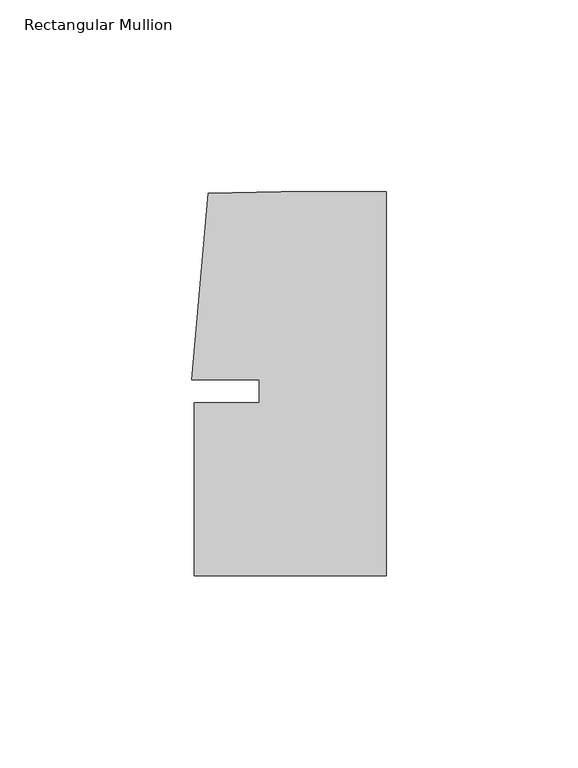
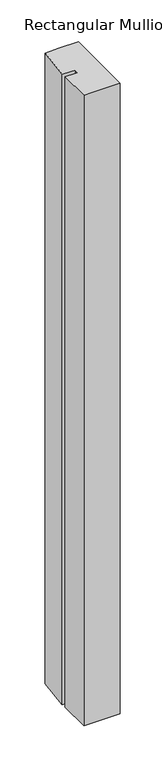
"""IFC4 building model written with IfcOpenShell, lengths in millimetres: member geometry, Rectangular Mullion."""

import ifcopenshell
import ifcopenshell.guid

model = None  # the IFC model being written
_history = None  # IfcOwnerHistory: only IFC2X3 demands one
_inside = {}  # id of a spatial element -> (the spatial element, [elements in it])
_under = {}  # id of a project, library or spatial element -> (it, [spatial elements below it])
_declared = {}  # id of a project -> (the project, [libraries it declares])
_typed = {}  # id of a type object -> (the type object, [elements of that type])
_made_of = {}  # id of a material, layer set ... -> (it, [elements and type objects made of it])


def new_model(schema):
    """Start an empty IFC model of exactly this schema.

    Asked for "IFC4X3", IfcOpenShell would pick the latest addendum, in which some entities
    have other attributes; the version numbers below select the first issue.
    IFC2X3 requires an IfcOwnerHistory on every rooted entity: one is made here for all.
    """
    global model, _history
    if schema == "IFC4X3":
        model = ifcopenshell.file(schema_version=(4, 3, 0, 0))
    else:
        model = ifcopenshell.file(schema=schema)
    _inside.clear()
    _under.clear()
    _declared.clear()
    _typed.clear()
    _made_of.clear()
    _history = None
    if model.schema == "IFC2X3":
        org = make("IfcOrganization", Name="unknown")
        user = make(
            "IfcPersonAndOrganization",
            ThePerson=make("IfcPerson", FamilyName="unknown"),
            TheOrganization=org,
        )
        app = make(
            "IfcApplication",
            ApplicationDeveloper=org,
            Version="unknown",
            ApplicationFullName="unknown",
            ApplicationIdentifier="unknown",
        )
        _history = make(
            "IfcOwnerHistory",
            OwningUser=user,
            OwningApplication=app,
            ChangeAction="ADDED",
            CreationDate=0,
        )
    return model


def make(cls, **values):
    """One entity of the class cls with the attributes given. An attribute that is None is left unset."""
    return model.create_entity(
        cls, **{name: value for name, value in values.items() if value is not None}
    )


def rooted(cls, **values):
    """An entity with a GlobalId (a new one), such as an element, a storey or a relation."""
    return make(cls, GlobalId=ifcopenshell.guid.new(), OwnerHistory=_history, **values)


def si_unit(unit_type, name, prefix=None):
    """IfcSIUnit, for example si_unit("LENGTHUNIT", "METRE", prefix="MILLI")."""
    return make("IfcSIUnit", UnitType=unit_type, Prefix=prefix, Name=name)


def assignment(units):
    """IfcUnitAssignment: the units of a project."""
    return None if units is None else make("IfcUnitAssignment", Units=units)


def point(xyz):
    """IfcCartesianPoint."""
    return None if xyz is None else make("IfcCartesianPoint", Coordinates=xyz)


def direction(xyz):
    """IfcDirection."""
    return None if xyz is None else make("IfcDirection", DirectionRatios=xyz)


def frame(location, z_axis=None, x_axis=None):
    """IfcAxis2Placement3D, a coordinate frame: its origin and axes. An axis left out is left unset."""
    return make(
        "IfcAxis2Placement3D",
        Location=point(location),
        Axis=direction(z_axis),
        RefDirection=direction(x_axis),
    )


def origin():
    """The frame at (0, 0, 0) with its axes left unset."""
    return frame((0.0, 0.0, 0.0))


def place(relative_to, where):
    """IfcLocalPlacement: puts the frame where relative to a parent placement (None: the world)."""
    return make(
        "IfcLocalPlacement", PlacementRelTo=relative_to, RelativePlacement=where
    )


def context(
    kind, dimensions, precision=None, world=None, true_north=None, identifier=None
):
    """IfcGeometricRepresentationContext, for example the 3D "Model" context."""
    return make(
        "IfcGeometricRepresentationContext",
        ContextIdentifier=identifier,
        ContextType=kind,
        CoordinateSpaceDimension=dimensions,
        Precision=precision,
        WorldCoordinateSystem=world,
        TrueNorth=true_north,
    )


def project(units=None, contexts=None):
    """IfcProject with its units and contexts."""
    return rooted(
        "IfcProject",
        Name="project",
        RepresentationContexts=contexts,
        UnitsInContext=assignment(units),
    )


def spatial(cls, under=None, at=None, **own):
    """A site, building, storey or space (cls), placed at a placement, below another one or the project."""
    s = rooted(cls, ObjectPlacement=at, **own)
    if under is not None:
        _under.setdefault(under.id(), (under, []))[1].append(s)
    return s


def polyline(points):
    """IfcPolyline through the points."""
    return make("IfcPolyline", Points=[point(p) for p in points])


def outline(outer, holes=None, kind="AREA"):
    """IfcArbitraryClosedProfileDef: a profile drawn as a closed curve; with holes, ...WithVoids."""
    if holes is None:
        return make("IfcArbitraryClosedProfileDef", ProfileType=kind, OuterCurve=outer)
    return make(
        "IfcArbitraryProfileDefWithVoids",
        ProfileType=kind,
        OuterCurve=outer,
        InnerCurves=holes,
    )


def extrude(swept, where, along, depth):
    """IfcExtrudedAreaSolid: the profile swept, set in the frame where, extruded along a direction by depth."""
    return make(
        "IfcExtrudedAreaSolid",
        SweptArea=swept,
        Position=where,
        ExtrudedDirection=direction(along),
        Depth=depth,
    )


def shape(context_of_items, identifier, shape_type, items):
    """IfcShapeRepresentation: the items that make up one representation, for example the "Body"."""
    return make(
        "IfcShapeRepresentation",
        ContextOfItems=context_of_items,
        RepresentationIdentifier=identifier,
        RepresentationType=shape_type,
        Items=items,
    )


def source(mapping_origin, context_of_items, identifier, shape_type, items):
    """IfcRepresentationMap: a shape defined once, which mapped items show again and again."""
    return make(
        "IfcRepresentationMap",
        MappingOrigin=mapping_origin,
        MappedRepresentation=shape(context_of_items, identifier, shape_type, items),
    )


def transform(
    local_origin,
    x_axis=None,
    y_axis=None,
    z_axis=None,
    scale=None,
    scale2=None,
    scale3=None,
    uniform=True,
):
    """IfcCartesianTransformationOperator3D, or its non-uniform kind. x_axis, y_axis, z_axis: its Axis1, 2, 3."""
    if uniform:
        return make(
            "IfcCartesianTransformationOperator3D",
            Axis1=direction(x_axis),
            Axis2=direction(y_axis),
            LocalOrigin=point(local_origin),
            Scale=scale,
            Axis3=direction(z_axis),
        )
    return make(
        "IfcCartesianTransformationOperator3DnonUniform",
        Axis1=direction(x_axis),
        Axis2=direction(y_axis),
        LocalOrigin=point(local_origin),
        Scale=scale,
        Axis3=direction(z_axis),
        Scale2=scale2,
        Scale3=scale3,
    )


def mapped(mapping_source, mapping_target):
    """IfcMappedItem: shows the shape of a source again, moved by a transform."""
    return make(
        "IfcMappedItem", MappingSource=mapping_source, MappingTarget=mapping_target
    )


def made_of(thing, what):
    """Note that an element or type object is made of a material, layer set ...; save() writes the relation."""
    if what is not None:
        _made_of.setdefault(what.id(), (what, []))[1].append(thing)
    return thing


def element(
    cls,
    number,
    at=None,
    inside=None,
    cuts=None,
    type_object=None,
    material=None,
    context=None,
    identifier="Body",
    shape_type=None,
    held_by="IfcProductDefinitionShape",
    body=None,
    shapes=None,
    **own,
):
    """One element of the class cls, such as IfcWall. Its Tag is "e" and its number.

    at: its placement. inside: the storey or other place that contains it. cuts: it is an
    opening in that element (IfcRelVoidsElement). A single representation is given by context,
    identifier, shape_type and body (its items); several are given by shapes. held_by: the class
    of the entity that holds the representations. save() writes the other relations.
    """
    e = rooted(cls, Tag="e%d" % number, ObjectPlacement=at, **own)
    if body is not None:
        shapes = [shape(context, identifier, shape_type, body)]
    if shapes is not None:
        e.Representation = make(held_by, Representations=shapes)
    if inside is not None:
        _inside.setdefault(inside.id(), (inside, []))[1].append(e)
    if cuts is not None:
        rooted(
            "IfcRelVoidsElement", RelatingBuildingElement=cuts, RelatedOpeningElement=e
        )
    if type_object is not None:
        _typed.setdefault(type_object.id(), (type_object, []))[1].append(e)
    return made_of(e, material)


def aggregate(whole, parts):
    """IfcRelAggregates: a whole, such as a stair, and the parts it consists of."""
    return rooted("IfcRelAggregates", RelatingObject=whole, RelatedObjects=parts)


def save(model, path):
    """Write the relations noted so far, then the file.

    IfcRelAggregates (storeys below a building ...), IfcRelContainedInSpatialStructure (elements
    in a storey), IfcRelDefinesByType, IfcRelAssociatesMaterial and IfcRelDeclares: one each for
    every whole, place, type object, material and project.
    """
    for whole, parts in _under.values():
        aggregate(whole, parts)
    for where, things in _inside.values():
        rooted(
            "IfcRelContainedInSpatialStructure",
            RelatedElements=things,
            RelatingStructure=where,
        )
    for kind, things in _typed.values():
        rooted("IfcRelDefinesByType", RelatedObjects=things, RelatingType=kind)
    for what, things in _made_of.values():
        rooted("IfcRelAssociatesMaterial", RelatedObjects=things, RelatingMaterial=what)
    for by, libraries in _declared.values():
        rooted("IfcRelDeclares", RelatingContext=by, RelatedDefinitions=libraries)
    model.write(path)


def rectangular_mullion_5ad6228d(model_context):
    return source(origin(), model_context, "Body", "SweptSolid", [
        extrude(outline(polyline([(-33.0004671, -3.0000287), (-33.0004665, 2.9999885), (-50.6129097, 2.9999903), (-46.3623019, 51.5846059), (-27.2554335, 51.9999707), (0.0, 51.999968), (-9.8e-06, -48.0000271), (-50.0000098, -48.0000271), (-50.0000054, -3.0000271), (-33.0004671, -3.0000287)])), frame((0.0, 0.0, -919.2839882), z_axis=(0.0, 0.0, 1.0), x_axis=(1.0, 0.0, 0.0)), (0.0, 0.0, 1.0), 919.2839882),
    ])


if __name__ == "__main__":
    model = new_model("IFC4")
    model_context = context("Model", 3, world=origin())
    ifc_project = project(units=[si_unit("LENGTHUNIT", "METRE", prefix="MILLI")], contexts=[model_context])
    site = spatial("IfcSite", under=ifc_project)
    building = spatial("IfcBuilding", under=site)
    placement = place(None, origin())
    rectangular_mullion_shape = rectangular_mullion_5ad6228d(model_context)
    element("IfcMember", 1, ObjectType="Rectangular Mullion", at=placement, inside=building, context=model_context, shape_type="MappedRepresentation", body=[
        mapped(rectangular_mullion_shape, transform((0.0, 0.0, 0.0), x_axis=(1.0, 0.0, 0.0), y_axis=(0.0, 1.0, 0.0), z_axis=(0.0, 0.0, 1.0))),
    ])
    save(model, "model.ifc")
